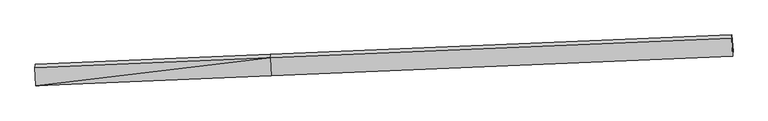
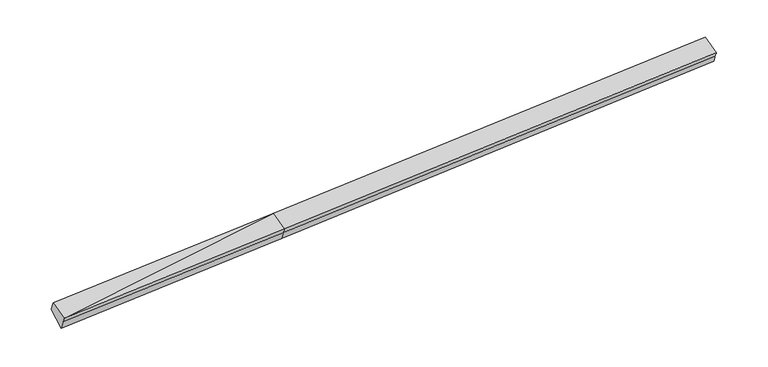
"""IFC4 building model written with IfcOpenShell, lengths in millimetres: proxy geometry."""

from ifc_helpers import new_model, si_unit, frame, origin, place, context, project, spatial, source, transform, mapped, element, save
from ifc_brep_helpers import plane_surface, spline_surface, advanced_brep


def generic_models_9181995c(model_context):
    return source(origin(), model_context, "Body", "AdvancedBrep", [
        advanced_brep(
        [(-11413.1425362, -2420.6372475, 1541.0477517), (-11407.3830478, -2357.4212024, 1356.2425796), (-2765.9906634, -1996.600915, 1738.1919017), (-2771.6027772, -2058.19938, 1918.2682561), (-11450.500155, -1760.5213488, 1780.6742577), (-2809.2260545, -1393.389247, 2159.5988008), (-11440.5875033, -1626.0186544, 1439.572427), (-2800.0211849, -1259.0450582, 1834.3874614), (-11397.6890986, -2220.5801915, 1017.9113682), (-2757.1227802, -1853.6065953, 1412.7264026), (14149.8217338, -672.4149576, 2934.7534114), (14157.5528584, -554.2465685, 2656.8302479), (14187.4450111, -1337.2250906, 2693.4228667), (14183.0640747, -1247.972663, 2496.498745), (14200.4512631, -1148.8081056, 2235.1691891)],
        [
            (0, 1),
            (1, 2),
            (2, 3),
            (3, 0),
            (4, 0),
            (0, 5),
            (5, 4),
            (6, 4),
            (5, 7),
            (7, 6),
            (8, 6),
            (7, 9),
            (9, 8),
            (1, 8),
            (9, 2),
            (3, 5),
            (5, 10),
            (10, 11),
            (11, 7),
            (3, 12),
            (12, 10),
            (2, 13),
            (13, 12),
            (9, 14),
            (14, 13),
            (11, 14),
            (11, 13),
            (13, 10),
        ],
        [
            plane_surface(frame((-11410.262792, -2389.029225, 1448.6451657), z_axis=(0.053690518379610745, -0.9453211002152896, -0.32169138273177794), x_axis=(0.02947489993527709, 0.3235159950427883, -0.9457635176011391))),
            plane_surface(frame((-11431.8213456, -2090.5792981, 1660.8610047), z_axis=(-0.026634446797522974, -0.34243069430075795, 0.9391654943855694), x_axis=(0.053120914312450404, -0.9386561890439841, -0.34073850271437456))),
            spline_surface(1, 1, [[(-11440.5875033, -1626.0186544, 1439.572427), (-2800.0211849, -1259.0450582, 1834.3874614)], [(-11450.500155, -1760.5213488, 1780.6742577), (-2809.2260545, -1393.389247, 2159.5988008)]], [2, 2], [2, 2], [0.0, 1.0], [0.0, 1.0]),
            plane_surface(frame((-11419.138301, -1923.2994229, 1228.7418976), z_axis=(0.012656170329260582, 0.5790472586130598, -0.8151957394670909), x_axis=(-0.0587516135274145, 0.8142831855980424, 0.5774869189516153))),
            spline_surface(1, 1, [[(-11407.3830478, -2357.4212024, 1356.2425796), (-2765.9906634, -1996.600915, 1738.1919017)], [(-11397.6890986, -2220.5801915, 1017.9113682), (-2757.1227802, -1853.6065953, 1412.7264026)]], [2, 2], [2, 2], [0.0, 1.0], [0.0, 1.0]),
            plane_surface(frame((-11421.8604682, -2077.0357289, 1427.0896768), z_axis=(-0.998183868218354, -0.04020475517915012, -0.0448613741388762), x_axis=(-0.029474899935303174, -0.3235159950427884, 0.9457635176011382))),
            plane_surface(frame((-11413.1425362, -2420.6372475, 1541.0477517), z_axis=(-0.026634446797523286, -0.3424306943007559, 0.9391654943855702), x_axis=(0.053120914312450675, -0.9386561890439848, -0.34073850271437245))),
            spline_surface(1, 1, [[(-2800.0211849, -1259.0450582, 1834.3874614), (14157.5528584, -554.2465685, 2656.8302479)], [(-2809.2260545, -1393.389247, 2159.5988008), (14149.8217338, -672.4149576, 2934.7534114)]], [2, 2], [2, 2], [0.0, 1.0], [0.0, 1.0]),
            plane_surface(frame((-2790.4144159, -1725.7943135, 2038.9335284), z_axis=(-0.028362742260934402, -0.3425008461115847, 0.9390893063304941), x_axis=(0.05312091431244991, -0.9386561890439848, -0.34073850271437245))),
            spline_surface(1, 1, [[(-2771.6027772, -2058.19938, 1918.2682561), (14187.4450111, -1337.2250906, 2693.4228667)], [(-2765.9906634, -1996.600915, 1738.1919017), (14183.0640747, -1247.972663, 2496.498745)]], [2, 2], [2, 2], [0.0, 1.0], [0.0, 1.0]),
            spline_surface(1, 1, [[(-2765.9906634, -1996.600915, 1738.1919017), (14183.0640747, -1247.972663, 2496.498745)], [(-2757.1227802, -1853.6065953, 1412.7264026), (14200.4512631, -1148.8081056, 2235.1691891)]], [2, 2], [2, 2], [0.0, 1.0], [0.0, 1.0]),
            plane_surface(frame((-2778.5719826, -1556.3258267, 1623.556932), z_axis=(0.01545955017289977, 0.5791589589840612, -0.8150680355264525), x_axis=(-0.05875161352741429, 0.8142831855980397, 0.5774869189516192))),
            plane_surface(frame((14180.3560654, -983.675779, 2462.8327273), z_axis=(0.9970814575246478, 0.019614548577511916, 0.0737823593050855), x_axis=(0.035806744450584786, -0.9736922259507308, -0.2250362774642384))),
            plane_surface(frame((14173.4436066, -1085.8709037, 2708.2250077), z_axis=(0.998457416747008, 0.0554461466462204, 0.0029174929267270413), x_axis=(0.05312091431244991, -0.9386561890439848, -0.34073850271437245))),
            plane_surface(frame((14163.4795556, -824.878063, 2696.0274681), z_axis=(0.9988376144870298, 0.027597880762177916, 0.039519322657362244), x_axis=(-0.025591218482024534, -0.391155648882671, 0.9199686667945719))),
        ],
        [
            (0, [[1, 2, 3, 4]]),
            (1, [[5, 6, 7]]),
            (2, [[8, -7, 9, 10]]),
            (3, [[11, -10, 12, 13]]),
            (4, [[14, -13, 15, -2]]),
            (5, [[-1, -5, -8, -11, -14]]),
            (6, [[16, -6, -4]]),
            (7, [[-9, 17, 18, 19]]),
            (8, [[-16, 20, 21, -17]]),
            (9, [[-3, 22, 23, -20]]),
            (10, [[-15, 24, 25, -22]]),
            (11, [[-12, -19, 26, -24]]),
            (12, [[27, -25, -26]]),
            (13, [[-21, -23, 28]]),
            (14, [[-18, -28, -27]]),
        ],
    ),
    ])


if __name__ == "__main__":
    model = new_model("IFC4")
    model_context = context("Model", 3, world=origin())
    ifc_project = project(units=[si_unit("LENGTHUNIT", "METRE", prefix="MILLI")], contexts=[model_context])
    site = spatial("IfcSite", under=ifc_project)
    building = spatial("IfcBuilding", under=site)
    placement = place(None, origin())
    generic_models_shape = generic_models_9181995c(model_context)
    element("IfcBuildingElementProxy", 1, Name="Generic Models", at=placement, inside=building, context=model_context, shape_type="MappedRepresentation", body=[
        mapped(generic_models_shape, transform((0.0, 0.0, 0.0), x_axis=(1.0, 0.0, 0.0), y_axis=(0.0, 1.0, 0.0), z_axis=(0.0, 0.0, 1.0))),
    ])
    save(model, "model.ifc")
